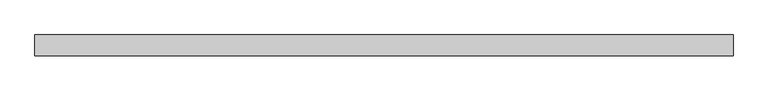
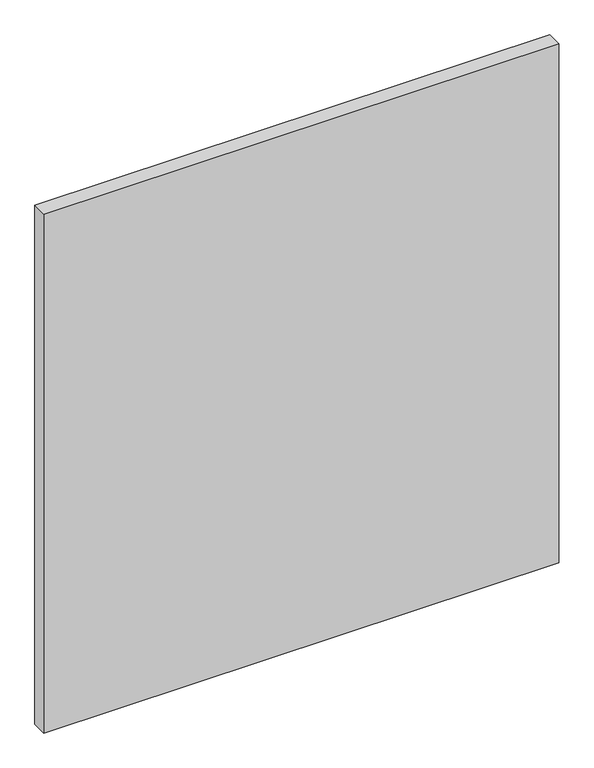
"""IFC4 building model written with IfcOpenShell, lengths in millimetres: plate geometry."""

from ifc_helpers import new_model, si_unit, origin, origin_with_axes, place, context, project, spatial, polyline, outline, extrude, source, transform, mapped, element, save


def plate_bab56e1d(model_context):
    return source(origin(), model_context, "Body", "SweptSolid", [
        extrude(outline(polyline([(826.4713811, -24.60625), (-826.4713811, -24.60625), (-826.4713811, 24.60625), (826.4713811, 24.60625), (826.4713811, -24.60625)])), origin_with_axes(), (0.0, 0.0, 1.0), 1761.3),
    ])


if __name__ == "__main__":
    model = new_model("IFC4")
    model_context = context("Model", 3, world=origin())
    ifc_project = project(units=[si_unit("LENGTHUNIT", "METRE", prefix="MILLI")], contexts=[model_context])
    site = spatial("IfcSite", under=ifc_project)
    building = spatial("IfcBuilding", under=site)
    placement = place(None, origin())
    plate_shape = plate_bab56e1d(model_context)
    element("IfcPlate", 1, at=placement, inside=building, context=model_context, shape_type="MappedRepresentation", body=[
        mapped(plate_shape, transform((0.0, 0.0, 0.0), x_axis=(1.0, 0.0, 0.0), y_axis=(0.0, 1.0, 0.0), z_axis=(0.0, 0.0, 1.0))),
    ])
    save(model, "model.ifc")
